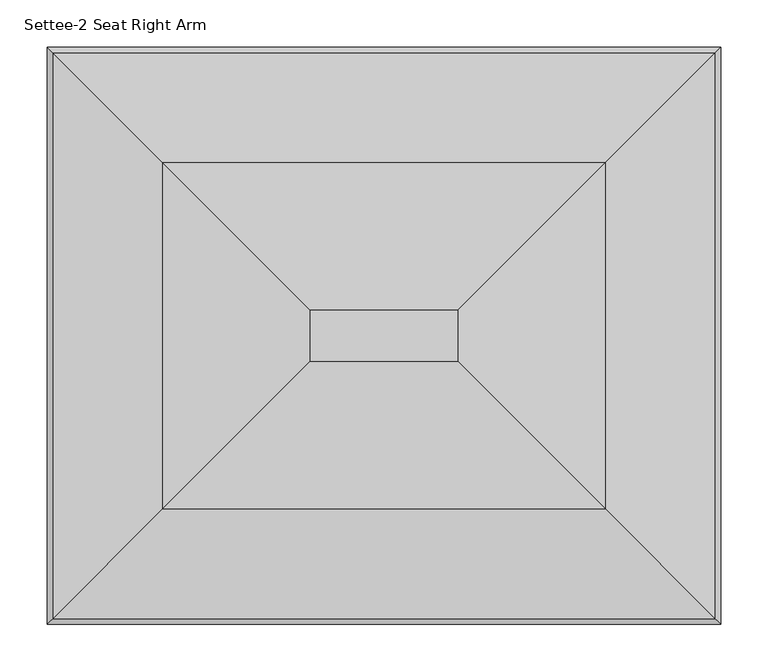
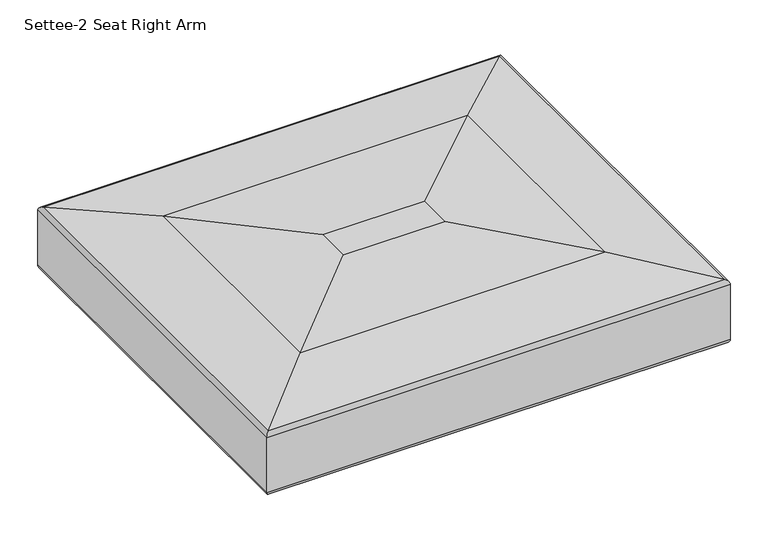
"""IFC4 building model written with IfcOpenShell, lengths in millimetres: furniture geometry, Settee-2 Seat Right Arm."""

import ifcopenshell
import ifcopenshell.guid

model = None  # the IFC model being written
_history = None  # IfcOwnerHistory: only IFC2X3 demands one
_inside = {}  # id of a spatial element -> (the spatial element, [elements in it])
_under = {}  # id of a project, library or spatial element -> (it, [spatial elements below it])
_declared = {}  # id of a project -> (the project, [libraries it declares])
_typed = {}  # id of a type object -> (the type object, [elements of that type])
_made_of = {}  # id of a material, layer set ... -> (it, [elements and type objects made of it])


def new_model(schema):
    """Start an empty IFC model of exactly this schema.

    Asked for "IFC4X3", IfcOpenShell would pick the latest addendum, in which some entities
    have other attributes; the version numbers below select the first issue.
    IFC2X3 requires an IfcOwnerHistory on every rooted entity: one is made here for all.
    """
    global model, _history
    if schema == "IFC4X3":
        model = ifcopenshell.file(schema_version=(4, 3, 0, 0))
    else:
        model = ifcopenshell.file(schema=schema)
    _inside.clear()
    _under.clear()
    _declared.clear()
    _typed.clear()
    _made_of.clear()
    _history = None
    if model.schema == "IFC2X3":
        org = make("IfcOrganization", Name="unknown")
        user = make(
            "IfcPersonAndOrganization",
            ThePerson=make("IfcPerson", FamilyName="unknown"),
            TheOrganization=org,
        )
        app = make(
            "IfcApplication",
            ApplicationDeveloper=org,
            Version="unknown",
            ApplicationFullName="unknown",
            ApplicationIdentifier="unknown",
        )
        _history = make(
            "IfcOwnerHistory",
            OwningUser=user,
            OwningApplication=app,
            ChangeAction="ADDED",
            CreationDate=0,
        )
    return model


def make(cls, **values):
    """One entity of the class cls with the attributes given. An attribute that is None is left unset."""
    return model.create_entity(
        cls, **{name: value for name, value in values.items() if value is not None}
    )


def rooted(cls, **values):
    """An entity with a GlobalId (a new one), such as an element, a storey or a relation."""
    return make(cls, GlobalId=ifcopenshell.guid.new(), OwnerHistory=_history, **values)


def si_unit(unit_type, name, prefix=None):
    """IfcSIUnit, for example si_unit("LENGTHUNIT", "METRE", prefix="MILLI")."""
    return make("IfcSIUnit", UnitType=unit_type, Prefix=prefix, Name=name)


def assignment(units):
    """IfcUnitAssignment: the units of a project."""
    return None if units is None else make("IfcUnitAssignment", Units=units)


def point(xyz):
    """IfcCartesianPoint."""
    return None if xyz is None else make("IfcCartesianPoint", Coordinates=xyz)


def direction(xyz):
    """IfcDirection."""
    return None if xyz is None else make("IfcDirection", DirectionRatios=xyz)


def frame(location, z_axis=None, x_axis=None):
    """IfcAxis2Placement3D, a coordinate frame: its origin and axes. An axis left out is left unset."""
    return make(
        "IfcAxis2Placement3D",
        Location=point(location),
        Axis=direction(z_axis),
        RefDirection=direction(x_axis),
    )


def origin():
    """The frame at (0, 0, 0) with its axes left unset."""
    return frame((0.0, 0.0, 0.0))


def place(relative_to, where):
    """IfcLocalPlacement: puts the frame where relative to a parent placement (None: the world)."""
    return make(
        "IfcLocalPlacement", PlacementRelTo=relative_to, RelativePlacement=where
    )


def context(
    kind, dimensions, precision=None, world=None, true_north=None, identifier=None
):
    """IfcGeometricRepresentationContext, for example the 3D "Model" context."""
    return make(
        "IfcGeometricRepresentationContext",
        ContextIdentifier=identifier,
        ContextType=kind,
        CoordinateSpaceDimension=dimensions,
        Precision=precision,
        WorldCoordinateSystem=world,
        TrueNorth=true_north,
    )


def project(units=None, contexts=None):
    """IfcProject with its units and contexts."""
    return rooted(
        "IfcProject",
        Name="project",
        RepresentationContexts=contexts,
        UnitsInContext=assignment(units),
    )


def spatial(cls, under=None, at=None, **own):
    """A site, building, storey or space (cls), placed at a placement, below another one or the project."""
    s = rooted(cls, ObjectPlacement=at, **own)
    if under is not None:
        _under.setdefault(under.id(), (under, []))[1].append(s)
    return s


def ellipse_curve(where, semi_axis1, semi_axis2):
    """IfcEllipse in the frame where."""
    return make(
        "IfcEllipse", Position=where, SemiAxis1=semi_axis1, SemiAxis2=semi_axis2
    )


def shape(context_of_items, identifier, shape_type, items):
    """IfcShapeRepresentation: the items that make up one representation, for example the "Body"."""
    return make(
        "IfcShapeRepresentation",
        ContextOfItems=context_of_items,
        RepresentationIdentifier=identifier,
        RepresentationType=shape_type,
        Items=items,
    )


def source(mapping_origin, context_of_items, identifier, shape_type, items):
    """IfcRepresentationMap: a shape defined once, which mapped items show again and again."""
    return make(
        "IfcRepresentationMap",
        MappingOrigin=mapping_origin,
        MappedRepresentation=shape(context_of_items, identifier, shape_type, items),
    )


def transform(
    local_origin,
    x_axis=None,
    y_axis=None,
    z_axis=None,
    scale=None,
    scale2=None,
    scale3=None,
    uniform=True,
):
    """IfcCartesianTransformationOperator3D, or its non-uniform kind. x_axis, y_axis, z_axis: its Axis1, 2, 3."""
    if uniform:
        return make(
            "IfcCartesianTransformationOperator3D",
            Axis1=direction(x_axis),
            Axis2=direction(y_axis),
            LocalOrigin=point(local_origin),
            Scale=scale,
            Axis3=direction(z_axis),
        )
    return make(
        "IfcCartesianTransformationOperator3DnonUniform",
        Axis1=direction(x_axis),
        Axis2=direction(y_axis),
        LocalOrigin=point(local_origin),
        Scale=scale,
        Axis3=direction(z_axis),
        Scale2=scale2,
        Scale3=scale3,
    )


def mapped(mapping_source, mapping_target):
    """IfcMappedItem: shows the shape of a source again, moved by a transform."""
    return make(
        "IfcMappedItem", MappingSource=mapping_source, MappingTarget=mapping_target
    )


def made_of(thing, what):
    """Note that an element or type object is made of a material, layer set ...; save() writes the relation."""
    if what is not None:
        _made_of.setdefault(what.id(), (what, []))[1].append(thing)
    return thing


def element(
    cls,
    number,
    at=None,
    inside=None,
    cuts=None,
    type_object=None,
    material=None,
    context=None,
    identifier="Body",
    shape_type=None,
    held_by="IfcProductDefinitionShape",
    body=None,
    shapes=None,
    **own,
):
    """One element of the class cls, such as IfcWall. Its Tag is "e" and its number.

    at: its placement. inside: the storey or other place that contains it. cuts: it is an
    opening in that element (IfcRelVoidsElement). A single representation is given by context,
    identifier, shape_type and body (its items); several are given by shapes. held_by: the class
    of the entity that holds the representations. save() writes the other relations.
    """
    e = rooted(cls, Tag="e%d" % number, ObjectPlacement=at, **own)
    if body is not None:
        shapes = [shape(context, identifier, shape_type, body)]
    if shapes is not None:
        e.Representation = make(held_by, Representations=shapes)
    if inside is not None:
        _inside.setdefault(inside.id(), (inside, []))[1].append(e)
    if cuts is not None:
        rooted(
            "IfcRelVoidsElement", RelatingBuildingElement=cuts, RelatedOpeningElement=e
        )
    if type_object is not None:
        _typed.setdefault(type_object.id(), (type_object, []))[1].append(e)
    return made_of(e, material)


def aggregate(whole, parts):
    """IfcRelAggregates: a whole, such as a stair, and the parts it consists of."""
    return rooted("IfcRelAggregates", RelatingObject=whole, RelatedObjects=parts)


def save(model, path):
    """Write the relations noted so far, then the file.

    IfcRelAggregates (storeys below a building ...), IfcRelContainedInSpatialStructure (elements
    in a storey), IfcRelDefinesByType, IfcRelAssociatesMaterial and IfcRelDeclares: one each for
    every whole, place, type object, material and project.
    """
    for whole, parts in _under.values():
        aggregate(whole, parts)
    for where, things in _inside.values():
        rooted(
            "IfcRelContainedInSpatialStructure",
            RelatedElements=things,
            RelatingStructure=where,
        )
    for kind, things in _typed.values():
        rooted("IfcRelDefinesByType", RelatedObjects=things, RelatingType=kind)
    for what, things in _made_of.values():
        rooted("IfcRelAssociatesMaterial", RelatedObjects=things, RelatingMaterial=what)
    for by, libraries in _declared.values():
        rooted("IfcRelDeclares", RelatingContext=by, RelatedDefinitions=libraries)
    model.write(path)


def plane_surface(at):
    """IfcPlane: the flat surface through the origin of the frame at, square to its z axis."""
    return make("IfcPlane", Position=at)


def cylinder_surface(at, radius):
    """IfcCylindricalSurface: all points at the distance radius from the z axis of the frame at."""
    return make("IfcCylindricalSurface", Position=at, Radius=radius)


def advanced_brep(points, edges, surfaces, faces):
    """IfcAdvancedBrep: a solid bounded by faces that lie on surfaces and meet in shared edges.

    An edge is (start, end): straight between two places in points (the first is 0);
    or (start, end, curve); or (start, end, curve, False) where it runs against its curve.
    A face is (place in surfaces, loops), or (place, loops, False) where it looks against
    its surface's normal. A loop lists edges by number (the first is 1), with a minus sign
    where the edge is run from its end to its start. The first loop is the outer one.
    """
    corners = [point(p) for p in points]
    vertices = [make("IfcVertexPoint", VertexGeometry=c) for c in corners]
    made = []
    for start, end, *more in edges:
        made.append(
            make(
                "IfcEdgeCurve",
                EdgeStart=vertices[start],
                EdgeEnd=vertices[end],
                EdgeGeometry=more[0] if more else make("IfcPolyline", Points=[corners[start], corners[end]]),
                SameSense=more[1] if len(more) > 1 else True,
            )
        )
    hull = []
    for where, loops, *sense in faces:
        bounds = []
        for j, loop in enumerate(loops):
            ring = [make("IfcOrientedEdge", EdgeElement=made[abs(k) - 1], Orientation=k > 0) for k in loop]
            bounds.append(
                make(
                    "IfcFaceOuterBound" if j == 0 else "IfcFaceBound",
                    Bound=make("IfcEdgeLoop", EdgeList=ring),
                    Orientation=True,
                )
            )
        hull.append(make("IfcAdvancedFace", Bounds=bounds, FaceSurface=surfaces[where], SameSense=sense[0] if sense else True))
    return make("IfcAdvancedBrep", Outer=make("IfcClosedShell", CfsFaces=hull))


def settee_2_seat_right_arm_c91d5f9d(model_context):
    return source(origin(), model_context, "Body", "AdvancedBrep", [
        advanced_brep(
        [(105.2589271, -758.2176259, 336.5161259), (156.5018533, -706.9746997, 323.8599964), (757.8981467, -706.9746997, 323.8599964), (809.1410729, -758.2176259, 336.5161259), (812.8, -761.876553, 342.2677019), (101.6, -761.876553, 342.2677019), (812.8, -761.876553, 431.6520878), (101.6, -761.876553, 431.6520878), (807.2617206, -756.3382736, 437.949993), (107.1382794, -756.3382736, 437.949993), (691.2501341, -640.326687, 452.9024246), (223.1498659, -640.326687, 452.9024246), (535.399776, -484.476329, 462.9046302), (379.000224, -484.476329, 462.9046302), (757.8981467, -207.3018533, 323.8599964), (809.1410729, -156.0589271, 336.5161259), (812.8, -152.4, 342.2677019), (812.8, -152.4, 431.6520878), (807.2617206, -157.9382794, 437.949993), (691.2501341, -273.9498659, 452.9024246), (535.399776, -429.800224, 462.9046302), (156.5018533, -207.3018533, 323.8599964), (105.2589271, -156.0589271, 336.5161259), (101.6, -152.4, 342.2677019), (101.6, -152.4, 431.6520878), (107.1382794, -157.9382794, 437.949993), (223.1498659, -273.9498659, 452.9024246), (379.000224, -429.800224, 462.9046302)],
        [
            (0, 1, ellipse_curve(frame((162.8373178, -700.6392352, 459.5772619), z_axis=(0.7071067811865475, -0.7071067811865475, 0.0), x_axis=(-0.7071067811865476, -0.7071067811865474, 0.0)), 192.1422091, 135.865059)),
            (1, 2),
            (2, 3, ellipse_curve(frame((751.5626822, -700.6392352, 459.5772619), z_axis=(-0.7071067811865475, -0.7071067811865475, 0.0), x_axis=(-0.7071067811865476, 0.7071067811865474, 0.0)), 192.1422091, 135.865059)),
            (3, 0),
            (3, 4, ellipse_curve(frame((806.45, -755.526553, 342.2677019), z_axis=(-0.7071067811865475, -0.7071067811865475, 0.0), x_axis=(-0.7071067811865476, 0.7071067811865474, 0.0)), 8.9802561, 6.35)),
            (4, 5),
            (5, 0, ellipse_curve(frame((107.95, -755.526553, 342.2677019), z_axis=(0.7071067811865475, -0.7071067811865475, 0.0), x_axis=(-0.7071067811865476, -0.7071067811865474, 0.0)), 8.9802561, 6.35)),
            (4, 6),
            (6, 7),
            (7, 5),
            (6, 8, ellipse_curve(frame((806.45, -755.526553, 431.6520878), z_axis=(-0.7071067811865475, -0.7071067811865475, 0.0), x_axis=(-0.7071067811865476, 0.7071067811865474, 0.0)), 8.9802561, 6.35)),
            (8, 9),
            (9, 7, ellipse_curve(frame((107.95, -755.526553, 431.6520878), z_axis=(0.7071067811865475, -0.7071067811865475, 0.0), x_axis=(-0.7071067811865476, -0.7071067811865474, 0.0)), 8.9802561, 6.35)),
            (8, 10),
            (10, 11),
            (11, 9),
            (10, 12, ellipse_curve(frame((535.399776, -484.476329, -756.2953698), z_axis=(-0.7071067811865475, -0.7071067811865475, 0.0), x_axis=(-0.7071067811865476, 0.7071067811865474, 0.0)), 1724.2091752, 1219.2)),
            (12, 13),
            (13, 11, ellipse_curve(frame((379.000224, -484.476329, -756.2953698), z_axis=(0.7071067811865475, -0.7071067811865475, 0.0), x_axis=(-0.7071067811865476, -0.7071067811865474, 0.0)), 1724.2091752, 1219.2)),
            (2, 14),
            (14, 15, ellipse_curve(frame((751.5626822, -213.6373178, 459.5772619), z_axis=(0.7071067811865475, -0.7071067811865475, 0.0), x_axis=(-0.7071067811865474, -0.7071067811865476, 0.0)), 192.1422091, 135.865059)),
            (15, 3),
            (15, 16, ellipse_curve(frame((806.45, -158.75, 342.2677019), z_axis=(0.7071067811865475, -0.7071067811865475, 0.0), x_axis=(-0.7071067811865474, -0.7071067811865476, 0.0)), 8.9802561, 6.35)),
            (16, 4),
            (16, 17),
            (17, 6),
            (17, 18, ellipse_curve(frame((806.45, -158.75, 431.6520878), z_axis=(0.7071067811865475, -0.7071067811865475, 0.0), x_axis=(-0.7071067811865474, -0.7071067811865476, 0.0)), 8.9802561, 6.35)),
            (18, 8),
            (18, 19),
            (19, 10),
            (19, 20, ellipse_curve(frame((535.399776, -429.800224, -756.2953698), z_axis=(0.7071067811865475, -0.7071067811865475, 0.0), x_axis=(-0.7071067811865474, -0.7071067811865476, 0.0)), 1724.2091752, 1219.2)),
            (20, 12),
            (14, 21),
            (21, 22, ellipse_curve(frame((162.8373178, -213.6373178, 459.5772619), z_axis=(0.7071067811865475, 0.7071067811865475, 0.0), x_axis=(0.7071067811865476, -0.7071067811865474, 0.0)), 192.1422091, 135.865059)),
            (22, 15),
            (22, 23, ellipse_curve(frame((107.95, -158.75, 342.2677019), z_axis=(0.7071067811865475, 0.7071067811865475, 0.0), x_axis=(0.7071067811865476, -0.7071067811865474, 0.0)), 8.9802561, 6.35)),
            (23, 16),
            (23, 24),
            (24, 17),
            (24, 25, ellipse_curve(frame((107.95, -158.75, 431.6520878), z_axis=(0.7071067811865475, 0.7071067811865475, 0.0), x_axis=(0.7071067811865476, -0.7071067811865474, 0.0)), 8.9802561, 6.35)),
            (25, 18),
            (25, 26),
            (26, 19),
            (26, 27, ellipse_curve(frame((379.000224, -429.800224, -756.2953698), z_axis=(0.7071067811865475, 0.7071067811865475, 0.0), x_axis=(0.7071067811865476, -0.7071067811865474, 0.0)), 1724.2091752, 1219.2)),
            (27, 20),
            (0, 22),
            (21, 1),
            (5, 23),
            (7, 24),
            (9, 25),
            (11, 26),
            (13, 27),
        ],
        [
            cylinder_surface(frame((101.6, -700.6392352, 459.5772619), z_axis=(-1.0, 0.0, 0.0), x_axis=(0.0, 1.0, 0.0)), 135.865059),
            cylinder_surface(frame((101.6, -755.526553, 342.2677019), z_axis=(-1.0, 0.0, 0.0), x_axis=(0.0, 1.0, 0.0)), 6.35),
            plane_surface(frame((101.6, -761.876553, 342.2677019), z_axis=(0.0, -1.0, 0.0), x_axis=(1.0, 0.0, 0.0))),
            cylinder_surface(frame((101.6, -755.526553, 431.6520878), z_axis=(-1.0, 0.0, 0.0), x_axis=(0.0, 1.0, 0.0)), 6.35),
            plane_surface(frame((107.1382794, -756.3382736, 437.949993), z_axis=(0.0, -0.1278300180799031, 0.9917960911788732), x_axis=(1.0, 0.0, 0.0))),
            cylinder_surface(frame((101.6, -484.476329, -756.2953698), z_axis=(-1.0, 0.0, 0.0), x_axis=(0.0, 1.0, 0.0)), 1219.2),
            cylinder_surface(frame((751.5626822, -761.876553, 459.5772619), z_axis=(0.0, -1.0, 0.0), x_axis=(-1.0, 0.0, 0.0)), 135.865059),
            cylinder_surface(frame((806.45, -761.876553, 342.2677019), z_axis=(0.0, -1.0, 0.0), x_axis=(-1.0, 0.0, 0.0)), 6.35),
            plane_surface(frame((812.8, -761.876553, 342.2677019), z_axis=(1.0, 0.0, 0.0), x_axis=(0.0, 1.0, 0.0))),
            cylinder_surface(frame((806.45, -761.876553, 431.6520878), z_axis=(0.0, -1.0, 0.0), x_axis=(-1.0, 0.0, 0.0)), 6.35),
            plane_surface(frame((807.2617206, -756.3382736, 437.949993), z_axis=(0.1278300180799031, 0.0, 0.9917960911788732), x_axis=(0.0, 1.0, 0.0))),
            cylinder_surface(frame((535.399776, -761.876553, -756.2953698), z_axis=(0.0, -1.0, 0.0), x_axis=(-1.0, 0.0, 0.0)), 1219.2),
            cylinder_surface(frame((812.8, -213.6373178, 459.5772619), z_axis=(1.0, 0.0, 0.0), x_axis=(0.0, -1.0, 0.0)), 135.865059),
            cylinder_surface(frame((812.8, -158.75, 342.2677019), z_axis=(1.0, 0.0, 0.0), x_axis=(0.0, -1.0, 0.0)), 6.35),
            plane_surface(frame((812.8, -152.4, 342.2677019), z_axis=(0.0, 1.0, 0.0), x_axis=(-1.0, 0.0, 0.0))),
            cylinder_surface(frame((812.8, -158.75, 431.6520878), z_axis=(1.0, 0.0, 0.0), x_axis=(0.0, -1.0, 0.0)), 6.35),
            plane_surface(frame((807.2617206, -157.9382794, 437.949993), z_axis=(0.0, 0.1278300180799031, 0.9917960911788732), x_axis=(-1.0, 0.0, 0.0))),
            cylinder_surface(frame((812.8, -429.800224, -756.2953698), z_axis=(1.0, 0.0, 0.0), x_axis=(0.0, -1.0, 0.0)), 1219.2),
            cylinder_surface(frame((162.8373178, -152.4, 459.5772619), z_axis=(0.0, 1.0, 0.0), x_axis=(1.0, 0.0, 0.0)), 135.865059),
            cylinder_surface(frame((107.95, -152.4, 342.2677019), z_axis=(0.0, 1.0, 0.0), x_axis=(1.0, 0.0, 0.0)), 6.35),
            plane_surface(frame((101.6, -152.4, 342.2677019), z_axis=(-1.0, 0.0, 0.0), x_axis=(0.0, -1.0, 0.0))),
            cylinder_surface(frame((107.95, -152.4, 431.6520878), z_axis=(0.0, 1.0, 0.0), x_axis=(1.0, 0.0, 0.0)), 6.35),
            plane_surface(frame((107.1382794, -157.9382794, 437.949993), z_axis=(-0.1278300180799031, 0.0, 0.9917960911788732), x_axis=(0.0, -1.0, 0.0))),
            cylinder_surface(frame((379.000224, -152.4, -756.2953698), z_axis=(0.0, 1.0, 0.0), x_axis=(1.0, 0.0, 0.0)), 1219.2),
            plane_surface(frame((379.000224, -429.800224, 462.9046302), z_axis=(0.0, 0.0, 1.0), x_axis=(0.0, -1.0, 0.0))),
            plane_surface(frame((381.0, -431.8, 323.8599964), z_axis=(0.0, 0.0, -1.0), x_axis=(0.0, -1.0, 0.0))),
        ],
        [
            (0, [[1, 2, 3, 4]]),
            (1, [[-4, 5, 6, 7]]),
            (2, [[-6, 8, 9, 10]]),
            (3, [[-9, 11, 12, 13]]),
            (4, [[-12, 14, 15, 16]]),
            (5, [[-15, 17, 18, 19]]),
            (6, [[-3, 20, 21, 22]]),
            (7, [[-5, -22, 23, 24]]),
            (8, [[-8, -24, 25, 26]]),
            (9, [[-11, -26, 27, 28]]),
            (10, [[-14, -28, 29, 30]]),
            (11, [[-17, -30, 31, 32]]),
            (12, [[-21, 33, 34, 35]]),
            (13, [[-23, -35, 36, 37]]),
            (14, [[-25, -37, 38, 39]]),
            (15, [[-27, -39, 40, 41]]),
            (16, [[-29, -41, 42, 43]]),
            (17, [[-31, -43, 44, 45]]),
            (18, [[-1, 46, -34, 47]]),
            (19, [[-7, 48, -36, -46]]),
            (20, [[-10, 49, -38, -48]]),
            (21, [[-13, 50, -40, -49]]),
            (22, [[-16, 51, -42, -50]]),
            (23, [[-19, 52, -44, -51]]),
            (24, [[-18, -32, -45, -52]]),
            (25, [[-2, -47, -33, -20]]),
        ],
    ),
    ])


if __name__ == "__main__":
    model = new_model("IFC4")
    model_context = context("Model", 3, world=origin())
    ifc_project = project(units=[si_unit("LENGTHUNIT", "METRE", prefix="MILLI")], contexts=[model_context])
    site = spatial("IfcSite", under=ifc_project)
    building = spatial("IfcBuilding", under=site)
    placement = place(None, origin())
    settee_2_seat_right_arm_shape = settee_2_seat_right_arm_c91d5f9d(model_context)
    element("IfcFurniture", 1, ObjectType="Settee-2 Seat Right Arm", at=placement, inside=building, context=model_context, shape_type="MappedRepresentation", body=[
        mapped(settee_2_seat_right_arm_shape, transform((0.0, 0.0, 0.0), x_axis=(1.0, 0.0, 0.0), y_axis=(0.0, 1.0, 0.0), z_axis=(0.0, 0.0, 1.0))),
    ])
    save(model, "model.ifc")
